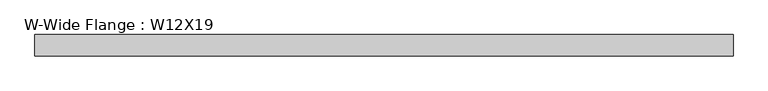
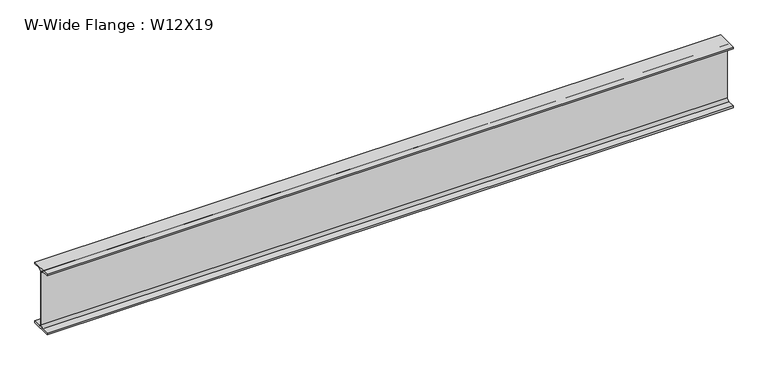
"""IFC4 building model written with IfcOpenShell, lengths in millimetres: beam geometry, W-Wide Flange : W12X19."""

from ifc_helpers import new_model, si_unit, point, frame, frame_2d, origin, place, context, project, spatial, polyline, circle_curve, trimmed, segment, composite_curve, outline, extrude, source, transform, mapped, element, save


def w_wide_flange_w12x19_9b9d8feb(model_context):
    return source(origin(), model_context, "Body", "SweptSolid", [
        extrude(outline(composite_curve([segment(polyline([(50.9488281, -146.0003906), (50.9488281, -154.9300781), (-50.9488281, -154.9300781), (-50.9488281, -146.0003906), (-16.271875, -146.0003906)]), True, "CONTINUOUS"), segment(trimmed(circle_curve(frame_2d((-16.271875, -132.7050781)), 13.2953125), [point((-16.271875, -146.0003906))], [point((-2.9765625, -132.7050781))], True, "CARTESIAN"), True, "CONTINUOUS"), segment(polyline([(-2.9765625, -132.7050781), (-2.9765625, 132.7050781)]), True, "CONTINUOUS"), segment(trimmed(circle_curve(frame_2d((-16.271875, 132.7050781)), 13.2953125), [point((-2.9765625, 132.7050781))], [point((-16.271875, 146.0003906))], True, "CARTESIAN"), True, "CONTINUOUS"), segment(polyline([(-16.271875, 146.0003906), (-50.9488281, 146.0003906), (-50.9488281, 154.9300781), (50.9488281, 154.9300781), (50.9488281, 146.0003906), (16.271875, 146.0003906)]), True, "CONTINUOUS"), segment(trimmed(circle_curve(frame_2d((16.271875, 132.7050781)), 13.2953125), [point((16.271875, 146.0003906))], [point((2.9765625, 132.7050781))], True, "CARTESIAN"), True, "CONTINUOUS"), segment(polyline([(2.9765625, 132.7050781), (2.9765625, -132.7050781)]), True, "CONTINUOUS"), segment(trimmed(circle_curve(frame_2d((16.271875, -132.7050781)), 13.2953125), [point((2.9765625, -132.7050781))], [point((16.271875, -146.0003906))], True, "CARTESIAN"), True, "CONTINUOUS"), segment(polyline([(16.271875, -146.0003906), (50.9488281, -146.0003906)]), True, "CONTINUOUS")], self_intersect=False)), frame((-1657.35, 0.0, 0.0), z_axis=(1.0, 0.0, 0.0), x_axis=(0.0, 1.0, 0.0)), (0.0, 0.0, 1.0), 3314.7),
    ])


if __name__ == "__main__":
    model = new_model("IFC4")
    model_context = context("Model", 3, world=origin())
    ifc_project = project(units=[si_unit("LENGTHUNIT", "METRE", prefix="MILLI")], contexts=[model_context])
    site = spatial("IfcSite", under=ifc_project)
    building = spatial("IfcBuilding", under=site)
    placement = place(None, origin())
    w_wide_flange_w12x19_shape = w_wide_flange_w12x19_9b9d8feb(model_context)
    element("IfcBeam", 1, ObjectType="W-Wide Flange : W12X19", at=placement, inside=building, context=model_context, shape_type="MappedRepresentation", body=[
        mapped(w_wide_flange_w12x19_shape, transform((0.0, 0.0, 0.0), x_axis=(1.0, 0.0, 0.0), y_axis=(0.0, 1.0, 0.0), z_axis=(0.0, 0.0, 1.0))),
    ])
    save(model, "model.ifc")
